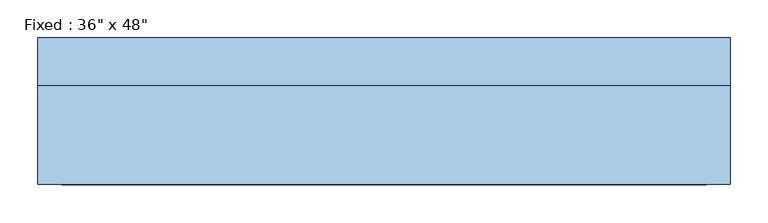
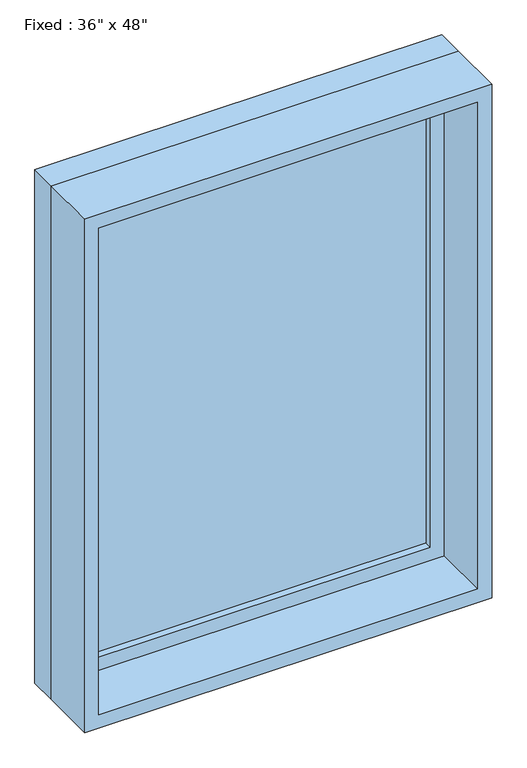
"""IFC4 building model written with IfcOpenShell, lengths in millimetres: window geometry."""

from ifc_helpers import new_model, si_unit, frame, origin, place, context, project, spatial, polyline, outline, extrude, source, transform, mapped, element, save


def window_61fd9715(model_context):
    return source(origin(), model_context, "Body", "SweptSolid", [
        extrude(outline(polyline([(355.6, 49.2125), (-431.8, 49.2125), (-431.8, 61.9125), (355.6, 61.9125), (355.6, 49.2125)])), frame((0.0, 0.0, 977.9), z_axis=(0.0, 0.0, 1.0), x_axis=(1.0, 0.0, 0.0)), (0.0, 0.0, 1.0), 1092.2),
        extrude(outline(polyline([(2114.55, -476.25), (933.45, -476.25), (933.45, 400.05), (2114.55, 400.05), (2114.55, -476.25)]), holes=[polyline([(2070.1, -431.8), (2070.1, 355.6), (977.9, 355.6), (977.9, -431.8), (2070.1, -431.8)])]), frame((0.0, 33.3375, 0.0), z_axis=(0.0, 1.0, 0.0), x_axis=(0.0, 0.0, 1.0)), (0.0, 0.0, 1.0), 44.45),
        extrude(outline(polyline([(2133.6, -495.3), (914.4, -495.3), (914.4, 419.1), (2133.6, 419.1), (2133.6, -495.3)]), holes=[polyline([(2101.85, -463.55), (2101.85, 387.35), (946.15, 387.35), (946.15, -463.55), (2101.85, -463.55)])]), frame((0.0, -96.8375, 0.0), z_axis=(0.0, 1.0, 0.0), x_axis=(0.0, 0.0, 1.0)), (0.0, 0.0, 1.0), 130.175),
        extrude(outline(polyline([(2133.6, 419.1), (2133.6, -495.3), (914.4, -495.3), (914.4, 419.1), (2133.6, 419.1)]), holes=[polyline([(2114.55, 400.05), (933.45, 400.05), (933.45, -476.25), (2114.55, -476.25), (2114.55, 400.05)])]), frame((0.0, 33.3375, 0.0), z_axis=(0.0, 1.0, 0.0), x_axis=(0.0, 0.0, 1.0)), (0.0, 0.0, 1.0), 63.5),
    ])


if __name__ == "__main__":
    model = new_model("IFC4")
    model_context = context("Model", 3, world=origin())
    ifc_project = project(units=[si_unit("LENGTHUNIT", "METRE", prefix="MILLI")], contexts=[model_context])
    site = spatial("IfcSite", under=ifc_project)
    building = spatial("IfcBuilding", under=site)
    placement = place(None, origin())
    window_shape = window_61fd9715(model_context)
    element("IfcWindow", 1, ObjectType="Fixed : 36\" x 48\"", at=placement, inside=building, context=model_context, shape_type="MappedRepresentation", body=[
        mapped(window_shape, transform((0.0, 0.0, 0.0), x_axis=(1.0, 0.0, 0.0), y_axis=(0.0, 1.0, 0.0), z_axis=(0.0, 0.0, 1.0))),
    ])
    save(model, "model.ifc")
